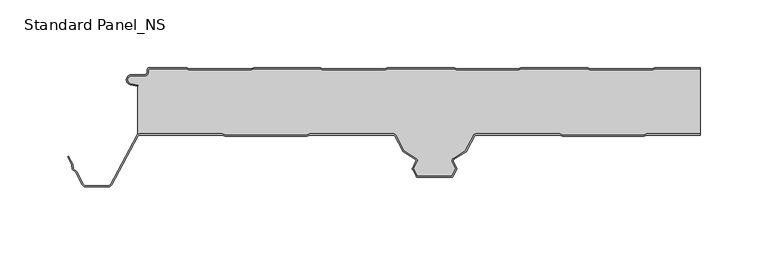
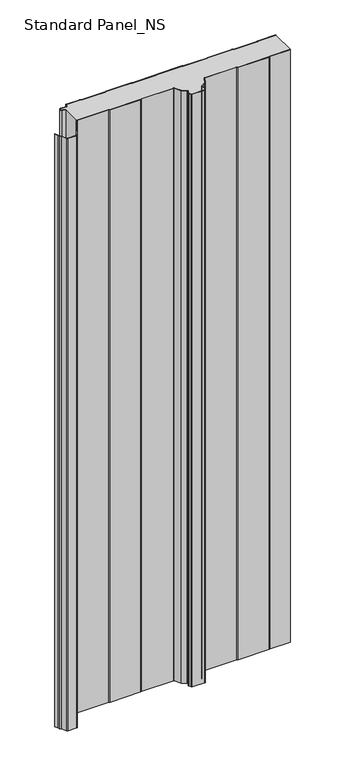
"""IFC4 building model written with IfcOpenShell, lengths in millimetres: proxy geometry, Standard Panel_NS."""

from ifc_helpers import new_model, si_unit, point, frame_2d, origin, origin_with_axes, place, context, project, spatial, polyline, circle_curve, trimmed, segment, composite_curve, outline, extrude, source, transform, mapped, element, save


def standard_panel_ns_08962047(model_context):
    return source(origin(), model_context, "Body", "SweptSolid", [
        extrude(outline(composite_curve([segment(polyline([(189.9831604, 0.0), (223.9042607, 0.0), (223.9042607, -0.8), (190.1930584, -0.8), (188.4185569, -1.8), (141.9945958, -1.8), (140.262545, -0.8), (91.1930584, -0.8), (89.4185569, -1.8), (42.9945958, -1.8), (41.262545, -0.8), (-7.8087363, -0.8), (-9.5407871, -1.8), (-56.0054042, -1.8), (-57.737455, -0.786297), (-106.8069416, -0.786297), (-108.5814431, -1.786297), (-155.0054042, -1.786297), (-156.737455, -0.786297), (-183.7507504, -0.786297)]), True, "CONTINUOUS"), segment(trimmed(circle_curve(frame_2d((-183.7507504, -2.036297)), 1.25), [point((-183.7507504, -0.786297))], [point((-185.0007504, -2.036297))], True, "CARTESIAN"), True, "CONTINUOUS"), segment(polyline([(-185.0007504, -2.036297), (-185.0007504, -3.436297)]), True, "CONTINUOUS"), segment(trimmed(circle_curve(frame_2d((-187.7507504, -3.436297)), 2.75), [point((-185.0007504, -3.436297))], [point((-187.7507504, -6.186297))], False, "CARTESIAN"), True, "CONTINUOUS"), segment(polyline([(-187.7507504, -6.186297), (-197.5507504, -6.186297)]), True, "CONTINUOUS"), segment(trimmed(circle_curve(frame_2d((-197.5507504, -9.036297)), 2.85), [point((-197.5507504, -6.186297))], [point((-198.1918609, -11.8132517))], True, "CARTESIAN"), True, "CONTINUOUS"), segment(polyline([(-198.1918609, -11.8132517), (-192.7486452, -13.0699171), (-192.9286061, -13.8494131), (-198.3718217, -12.5927478)]), True, "CONTINUOUS"), segment(trimmed(circle_curve(frame_2d((-197.5507504, -9.036297)), 3.65), [point((-198.3718217, -12.5927478))], [point((-197.5507504, -5.386297))], False, "CARTESIAN"), True, "CONTINUOUS"), segment(polyline([(-197.5507504, -5.386297), (-187.7507504, -5.386297)]), True, "CONTINUOUS"), segment(trimmed(circle_curve(frame_2d((-187.7507504, -3.436297)), 1.95), [point((-187.7507504, -5.386297))], [point((-185.8007504, -3.436297))], True, "CARTESIAN"), True, "CONTINUOUS"), segment(polyline([(-185.8007504, -3.436297), (-185.8007504, -2.036297)]), True, "CONTINUOUS"), segment(trimmed(circle_curve(frame_2d((-183.7507504, -2.036297)), 2.05), [point((-185.8007504, -2.036297))], [point((-183.7507504, 0.013703))], False, "CARTESIAN"), True, "CONTINUOUS"), segment(polyline([(-183.7507504, 0.013703), (-156.5230957, 0.013703), (-154.7910449, -0.986297), (-108.7913411, -0.986297), (-107.0168396, 0.013703), (-57.5230957, 0.013703), (-55.7910449, -1.0), (-9.7551465, -1.0), (-8.0230957, 0.0), (41.4769043, 0.0), (43.2089551, -1.0), (89.2086589, -1.0), (90.9831604, 0.0), (140.4769043, 0.0), (142.2089551, -1.0), (188.2086589, -1.0), (189.9831604, 0.0)]), True, "CONTINUOUS")], self_intersect=False)), origin_with_axes(), (0.0, 0.0, 1.0), 1219.2),
        extrude(outline(composite_curve([segment(trimmed(circle_curve(frame_2d((-191.3607504, -51.75)), 1.75), [point((-191.3607504, -50.0))], [point((-192.9059087, -50.9284248))], True, "CARTESIAN"), True, "CONTINUOUS"), segment(polyline([(-192.9059087, -50.9284248), (-212.0091432, -86.8563836)]), True, "CONTINUOUS"), segment(trimmed(circle_curve(frame_2d((-214.5255439, -85.5183897)), 2.85), [point((-212.0091432, -86.8563836))], [point((-214.5255439, -88.3683897))], False, "CARTESIAN"), True, "CONTINUOUS"), segment(polyline([(-214.5255439, -88.3683897), (-231.2663514, -88.3683897)]), True, "CONTINUOUS"), segment(trimmed(circle_curve(frame_2d((-231.2663514, -85.5183897)), 2.85), [point((-231.2663514, -88.3683897))], [point((-233.782752, -86.8563836))], False, "CARTESIAN"), True, "CONTINUOUS"), segment(polyline([(-233.782752, -86.8563836), (-238.6671014, -77.6702585), (-241.084649, -75.3708693), (-241.6820111, -72.000038), (-244.7505404, -66.2289737), (-244.0441824, -65.8533964), (-240.9163332, -71.7360251), (-240.3428004, -74.9723908), (-238.0216911, -77.1800551), (-233.076394, -86.4808064)]), True, "CONTINUOUS"), segment(trimmed(circle_curve(frame_2d((-231.2663514, -85.5183897)), 2.05), [point((-233.076394, -86.4808064))], [point((-231.2663514, -87.5683897))], True, "CARTESIAN"), True, "CONTINUOUS"), segment(polyline([(-231.2663514, -87.5683897), (-214.5255439, -87.5683897)]), True, "CONTINUOUS"), segment(trimmed(circle_curve(frame_2d((-214.5255439, -85.5183897)), 2.05), [point((-214.5255439, -87.5683897))], [point((-212.7155013, -86.4808064))], True, "CARTESIAN"), True, "CONTINUOUS"), segment(polyline([(-212.7155013, -86.4808064), (-193.6122667, -50.5528475)]), True, "CONTINUOUS"), segment(trimmed(circle_curve(frame_2d((-191.3607504, -51.75)), 2.55), [point((-193.6122667, -50.5528475))], [point((-191.3607504, -49.2))], False, "CARTESIAN"), True, "CONTINUOUS"), segment(polyline([(-191.3607504, -49.2), (-130.0661789, -49.2), (-127.6845456, -50.1683897), (-67.8932049, -50.1683897), (-65.5115715, -49.2), (-3.3723047, -49.2)]), True, "CONTINUOUS"), segment(trimmed(circle_curve(frame_2d((-3.3750906, -50.9999978)), 1.8), [point((-3.3723047, -49.2))], [point((-1.7857934, -50.1549332))], False, "CARTESIAN"), True, "CONTINUOUS"), segment(polyline([(-1.7857934, -50.1549332), (4.3386275, -61.6730163), (13.3220194, -67.3606338)]), True, "CONTINUOUS"), segment(trimmed(circle_curve(frame_2d((12.3591509, -68.8814507)), 1.8), [point((13.3220194, -67.3606338))], [point((13.9681734, -69.6883253))], False, "CARTESIAN"), True, "CONTINUOUS"), segment(polyline([(13.9681734, -69.6883253), (11.3711036, -74.8672514), (14.3485893, -80.4669529), (39.8425575, -80.4669529), (42.8256576, -74.8564238), (40.2338477, -69.6882431)]), True, "CONTINUOUS"), segment(trimmed(circle_curve(frame_2d((41.8428542, -68.8813366)), 1.8), [point((40.2338477, -69.6882431))], [point((40.8799555, -67.3605387))], False, "CARTESIAN"), True, "CONTINUOUS"), segment(polyline([(40.8799555, -67.3605387), (49.8465774, -61.6832892), (55.9762236, -50.1548264)]), True, "CONTINUOUS"), segment(trimmed(circle_curve(frame_2d((57.5653038, -50.9997352)), 1.7997352), [point((55.9762236, -50.1548264))], [point((57.5653038, -49.2))], False, "CARTESIAN"), True, "CONTINUOUS"), segment(polyline([(57.5653038, -49.2), (119.7028683, -49.2), (122.0845088, -50.1683897), (181.8758496, -50.1683897), (184.2574895, -49.2), (223.9042607, -49.2), (223.9042607, -50.0), (184.4139138, -50.0), (182.032274, -50.9683897), (121.9280844, -50.9683897), (119.546444, -49.9999999), (57.5653038, -49.9999999)]), True, "CONTINUOUS"), segment(trimmed(circle_curve(frame_2d((57.5653038, -50.9997352)), 0.9997353), [point((57.5653038, -49.9999999))], [point((56.6825853, -50.5303966))], True, "CARTESIAN"), True, "CONTINUOUS"), segment(polyline([(56.6825853, -50.5303966), (50.4534972, -62.2458871), (41.3079104, -68.0364489)]), True, "CONTINUOUS"), segment(trimmed(circle_curve(frame_2d((41.8428542, -68.8813366)), 1.0), [point((41.3079104, -68.0364489))], [point((40.9489617, -69.329618))], True, "CARTESIAN"), True, "CONTINUOUS"), segment(polyline([(40.9489617, -69.329618), (43.4944639, -74.4054592)]), True, "CONTINUOUS"), segment(trimmed(circle_curve(frame_2d((42.6005714, -74.8537406)), 1.0), [point((43.4944639, -74.4054592))], [point((43.4835237, -75.3232034))], False, "CARTESIAN"), True, "CONTINUOUS"), segment(polyline([(43.4835237, -75.3232034), (40.7463788, -80.4711471)]), True, "CONTINUOUS"), segment(trimmed(circle_curve(frame_2d((39.4219504, -79.7669529)), 1.5), [point((40.7463788, -80.4711471))], [point((39.4219504, -81.2669529))], False, "CARTESIAN"), True, "CONTINUOUS"), segment(polyline([(39.4219504, -81.2669529), (14.7964212, -81.2669529)]), True, "CONTINUOUS"), segment(trimmed(circle_curve(frame_2d((14.7693172, -79.7671978)), 1.5), [point((14.7964212, -81.2669529))], [point((13.4449029, -80.4714183))], False, "CARTESIAN"), True, "CONTINUOUS"), segment(polyline([(13.4449029, -80.4714183), (10.7132468, -75.3340441)]), True, "CONTINUOUS"), segment(trimmed(circle_curve(frame_2d((11.5961897, -74.8645637)), 1.0), [point((10.7132468, -75.3340441))], [point((10.7022883, -74.4163001))], False, "CARTESIAN"), True, "CONTINUOUS"), segment(polyline([(10.7022883, -74.4163001), (13.2530523, -69.3297144)]), True, "CONTINUOUS"), segment(trimmed(circle_curve(frame_2d((12.3591509, -68.8814507)), 1.0), [point((13.2530523, -69.3297144))], [point((12.8940779, -68.0365524))], True, "CARTESIAN"), True, "CONTINUOUS"), segment(polyline([(12.8940779, -68.0365524), (3.7317189, -62.2356263), (-2.4921477, -50.5305175)]), True, "CONTINUOUS"), segment(trimmed(circle_curve(frame_2d((-3.3750906, -50.9999978)), 1.0), [point((-2.4921477, -50.5305175))], [point((-3.3730141, -50.0))], True, "CARTESIAN"), True, "CONTINUOUS"), segment(polyline([(-3.3730141, -50.0), (-65.3551468, -50.0), (-67.7367801, -50.9683897), (-127.8409703, -50.9683897), (-130.2226037, -50.0), (-191.3607504, -50.0)]), True, "CONTINUOUS")], self_intersect=False)), origin_with_axes(), (0.0, 0.0, 1.0), 1219.2),
        extrude(outline(composite_curve([segment(trimmed(circle_curve(frame_2d((-191.3607504, -51.75)), 2.55), [point((-191.3607504, -49.2))], [point((-192.7486452, -49.6107833))], True, "CARTESIAN"), True, "CONTINUOUS"), segment(polyline([(-192.7486452, -49.6107833), (-192.7486452, -13.0699171), (-198.1918609, -11.8132517)]), True, "CONTINUOUS"), segment(trimmed(circle_curve(frame_2d((-197.5507504, -9.036297)), 2.85), [point((-198.1918609, -11.8132517))], [point((-197.5507504, -6.186297))], False, "CARTESIAN"), True, "CONTINUOUS"), segment(polyline([(-197.5507504, -6.186297), (-187.7507504, -6.186297)]), True, "CONTINUOUS"), segment(trimmed(circle_curve(frame_2d((-187.7507504, -3.436297)), 2.75), [point((-187.7507504, -6.186297))], [point((-185.0007504, -3.436297))], True, "CARTESIAN"), True, "CONTINUOUS"), segment(polyline([(-185.0007504, -3.436297), (-185.0007504, -2.036297)]), True, "CONTINUOUS"), segment(trimmed(circle_curve(frame_2d((-183.7507504, -2.036297)), 1.25), [point((-185.0007504, -2.036297))], [point((-183.7507504, -0.786297))], False, "CARTESIAN"), True, "CONTINUOUS"), segment(polyline([(-183.7507504, -0.786297), (-156.737455, -0.786297), (-155.0054042, -1.786297), (-108.5814431, -1.786297), (-106.8069416, -0.786297), (-57.737455, -0.786297), (-56.0054042, -1.8), (-9.5407871, -1.8), (-7.8087363, -0.8), (41.262545, -0.8), (42.9945958, -1.8), (89.4185569, -1.8), (91.1930584, -0.8), (140.262545, -0.8), (141.9945958, -1.8), (188.4185569, -1.8), (190.1930584, -0.8), (223.9042607, -0.8), (223.9042607, -49.2), (184.2574895, -49.2), (181.8758496, -50.1683897), (122.0845088, -50.1683897), (119.7028683, -49.2), (57.5653038, -49.2)]), True, "CONTINUOUS"), segment(trimmed(circle_curve(frame_2d((57.5653038, -50.9997352)), 1.7997352), [point((57.5653038, -49.2))], [point((55.9762236, -50.1548264))], True, "CARTESIAN"), True, "CONTINUOUS"), segment(polyline([(55.9762236, -50.1548264), (49.8465774, -61.6832892), (40.8799555, -67.3605387)]), True, "CONTINUOUS"), segment(trimmed(circle_curve(frame_2d((41.8428542, -68.8813366)), 1.8), [point((40.8799555, -67.3605387))], [point((40.2338477, -69.6882431))], True, "CARTESIAN"), True, "CONTINUOUS"), segment(polyline([(40.2338477, -69.6882431), (42.8256576, -74.8564238), (39.8425575, -80.4669529), (14.3485893, -80.4669529), (11.3711036, -74.8672514), (13.9681734, -69.6883253)]), True, "CONTINUOUS"), segment(trimmed(circle_curve(frame_2d((12.3591509, -68.8814507)), 1.8), [point((13.9681734, -69.6883253))], [point((13.3220194, -67.3606338))], True, "CARTESIAN"), True, "CONTINUOUS"), segment(polyline([(13.3220194, -67.3606338), (4.3386275, -61.6730163), (-1.7857934, -50.1549332)]), True, "CONTINUOUS"), segment(trimmed(circle_curve(frame_2d((-3.3750906, -50.9999978)), 1.8), [point((-1.7857934, -50.1549332))], [point((-3.3723047, -49.2))], True, "CARTESIAN"), True, "CONTINUOUS"), segment(polyline([(-3.3723047, -49.2), (-65.5115715, -49.2), (-67.8932049, -50.1683897), (-127.6845456, -50.1683897), (-130.0661789, -49.2), (-191.3607504, -49.2)]), True, "CONTINUOUS")], self_intersect=False)), origin_with_axes(), (0.0, 0.0, 1.0), 1219.2),
    ])


if __name__ == "__main__":
    model = new_model("IFC4")
    model_context = context("Model", 3, world=origin())
    ifc_project = project(units=[si_unit("LENGTHUNIT", "METRE", prefix="MILLI")], contexts=[model_context])
    site = spatial("IfcSite", under=ifc_project)
    building = spatial("IfcBuilding", under=site)
    placement = place(None, origin())
    standard_panel_ns_shape = standard_panel_ns_08962047(model_context)
    element("IfcBuildingElementProxy", 1, Name="Standard Panel_NS", ObjectType="Standard Panel_NS", at=placement, inside=building, context=model_context, shape_type="MappedRepresentation", body=[
        mapped(standard_panel_ns_shape, transform((0.0, 0.0, 0.0), x_axis=(1.0, 0.0, 0.0), y_axis=(0.0, 1.0, 0.0), z_axis=(0.0, 0.0, 1.0))),
    ])
    save(model, "model.ifc")
